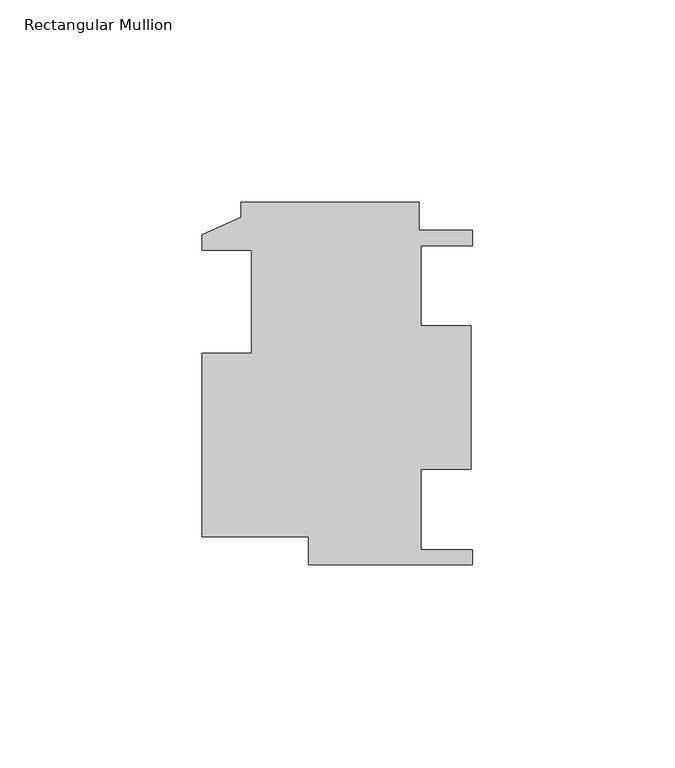
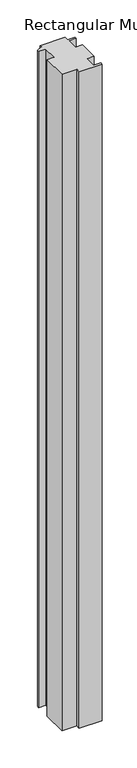
"""IFC4 building model written with IfcOpenShell, lengths in millimetres: member geometry, Rectangular Mullion."""

from ifc_helpers import new_model, si_unit, frame, origin, place, context, project, spatial, polyline, outline, extrude, source, transform, mapped, element, save


def rectangular_mullion_cf52de35(model_context):
    return source(origin(), model_context, "Body", "SweptSolid", [
        extrude(outline(polyline([(-40.4622, -46.5153375), (-40.4622, -39.6065375), (-66.7512, -39.6065375), (-66.7512, 5.7070625), (-54.5338, 5.7070625), (-54.5338, 31.1070625), (-66.7512, 31.1070625), (-66.7512, 35.0186625), (-57.2262, 39.3366625), (-57.2262, 42.9434625), (-13.2588, 42.9434625), (-13.2588, 36.0346625), (0.0, 36.0346625), (0.0, 32.3008625), (-12.7, 32.3008625), (-12.7, 12.4634625), (-0.3456927, 12.4634625), (-0.3456927, -22.9441375), (-12.7, -22.9441375), (-12.7, -42.7815375), (0.0, -42.7815375), (0.0, -46.5153375), (-40.4622, -46.5153375)])), frame((0.0, 0.0, -1219.2), z_axis=(0.0, 0.0, 1.0), x_axis=(1.0, 0.0, 0.0)), (0.0, 0.0, 1.0), 1219.2),
    ])


if __name__ == "__main__":
    model = new_model("IFC4")
    model_context = context("Model", 3, world=origin())
    ifc_project = project(units=[si_unit("LENGTHUNIT", "METRE", prefix="MILLI")], contexts=[model_context])
    site = spatial("IfcSite", under=ifc_project)
    building = spatial("IfcBuilding", under=site)
    placement = place(None, origin())
    rectangular_mullion_shape = rectangular_mullion_cf52de35(model_context)
    element("IfcMember", 1, ObjectType="Rectangular Mullion", at=placement, inside=building, context=model_context, shape_type="MappedRepresentation", body=[
        mapped(rectangular_mullion_shape, transform((0.0, 0.0, 0.0), x_axis=(1.0, 0.0, 0.0), y_axis=(0.0, 1.0, 0.0), z_axis=(0.0, 0.0, 1.0))),
    ])
    save(model, "model.ifc")
